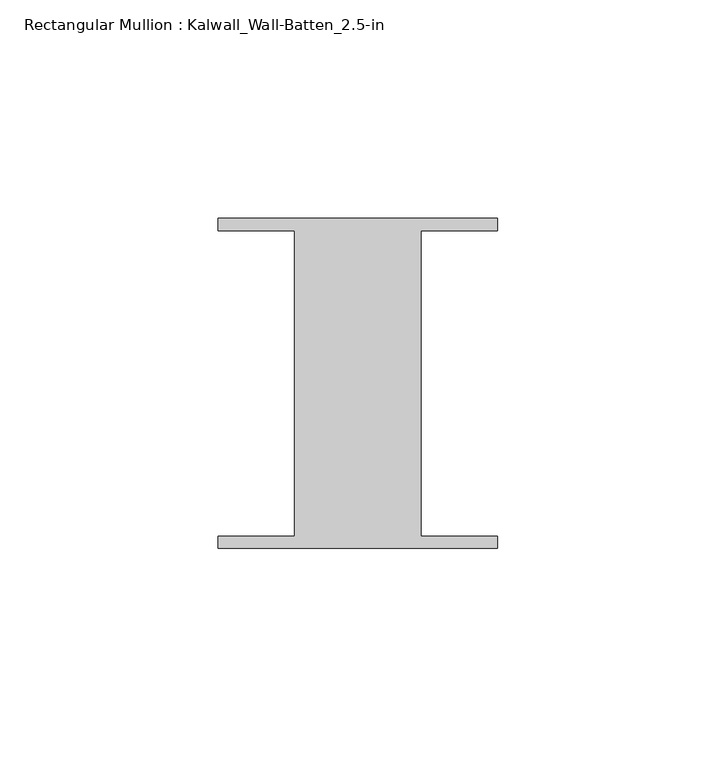
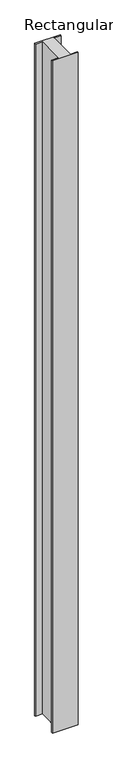
"""IFC4 building model written with IfcOpenShell, lengths in millimetres: member geometry, Rectangular Mullion : Kalwall_Wall-Batten_2.5-in."""

from ifc_helpers import new_model, si_unit, frame, origin, place, context, project, spatial, polyline, outline, extrude, source, transform, mapped, element, save


def rectangular_mullion_kalwall_wall_batten_2_5_in_9f6447c5(model_context):
    return source(origin(), model_context, "Body", "SweptSolid", [
        extrude(outline(polyline([(-32.0, 36.524), (32.0, 36.524), (32.0, 33.73), (14.5, 33.73), (14.5, -36.27), (32.0, -36.27), (32.0, -39.064), (-32.0, -39.064), (-32.0, -36.27), (-14.5, -36.27), (-14.5, 33.73), (-32.0, 33.73), (-32.0, 36.524)])), frame((0.0, 0.0, -1762.125), z_axis=(0.0, 0.0, 1.0), x_axis=(1.0, 0.0, 0.0)), (0.0, 0.0, 1.0), 1762.125),
    ])


if __name__ == "__main__":
    model = new_model("IFC4")
    model_context = context("Model", 3, world=origin())
    ifc_project = project(units=[si_unit("LENGTHUNIT", "METRE", prefix="MILLI")], contexts=[model_context])
    site = spatial("IfcSite", under=ifc_project)
    building = spatial("IfcBuilding", under=site)
    placement = place(None, origin())
    rectangular_mullion_kalwall_wall_batten_2_5_in_shape = rectangular_mullion_kalwall_wall_batten_2_5_in_9f6447c5(model_context)
    element("IfcMember", 1, ObjectType="Rectangular Mullion : Kalwall_Wall-Batten_2.5-in", at=placement, inside=building, context=model_context, shape_type="MappedRepresentation", body=[
        mapped(rectangular_mullion_kalwall_wall_batten_2_5_in_shape, transform((0.0, 0.0, 0.0), x_axis=(1.0, 0.0, 0.0), y_axis=(0.0, 1.0, 0.0), z_axis=(0.0, 0.0, 1.0))),
    ])
    save(model, "model.ifc")
